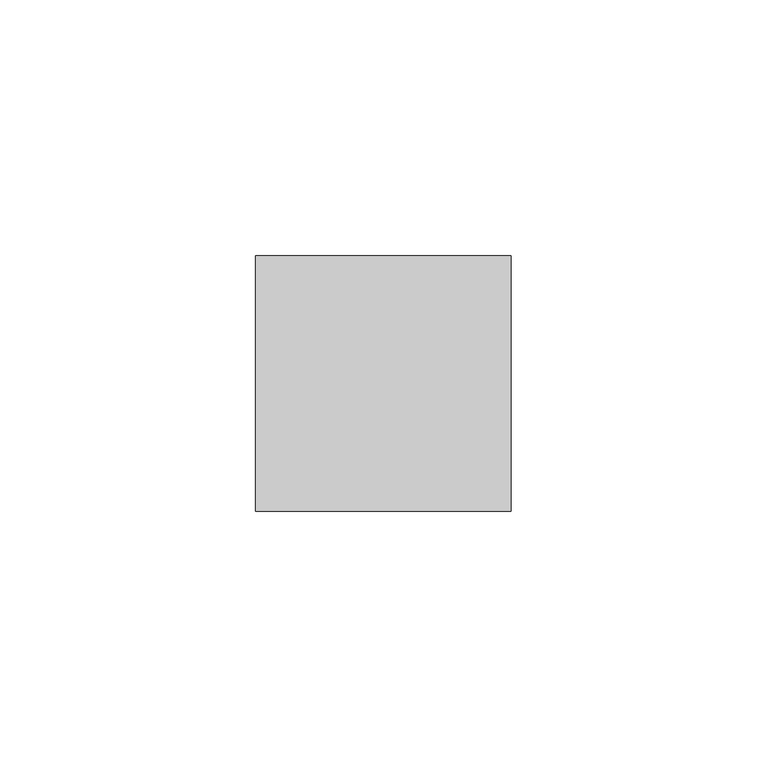
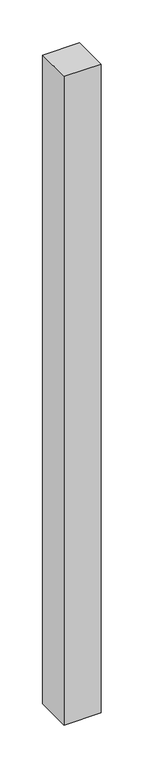
"""IFC4 building model written with IfcOpenShell, lengths in millimetres: member geometry."""

from ifc_helpers import new_model, si_unit, frame, origin, place, context, project, spatial, polyline, outline, extrude, source, transform, mapped, element, save


def member_d57dae31(model_context):
    return source(origin(), model_context, "Body", "SweptSolid", [
        extrude(outline(polyline([(25.0, 25.0), (25.0, -25.0), (-25.0, -25.0), (-25.0, 25.0), (25.0, 25.0)])), frame((0.0, 0.0, -925.0), z_axis=(0.0, 0.0, 1.0), x_axis=(1.0, 0.0, 0.0)), (0.0, 0.0, 1.0), 925.0),
    ])


if __name__ == "__main__":
    model = new_model("IFC4")
    model_context = context("Model", 3, world=origin())
    ifc_project = project(units=[si_unit("LENGTHUNIT", "METRE", prefix="MILLI")], contexts=[model_context])
    site = spatial("IfcSite", under=ifc_project)
    building = spatial("IfcBuilding", under=site)
    placement = place(None, origin())
    member_shape = member_d57dae31(model_context)
    element("IfcMember", 1, at=placement, inside=building, context=model_context, shape_type="MappedRepresentation", body=[
        mapped(member_shape, transform((0.0, 0.0, 0.0), x_axis=(1.0, 0.0, 0.0), y_axis=(0.0, 1.0, 0.0), z_axis=(0.0, 0.0, 1.0))),
    ])
    save(model, "model.ifc")
